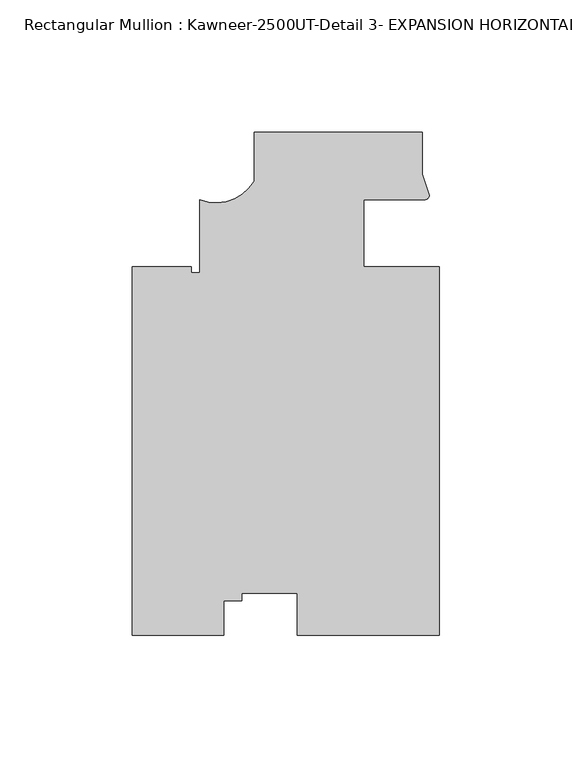
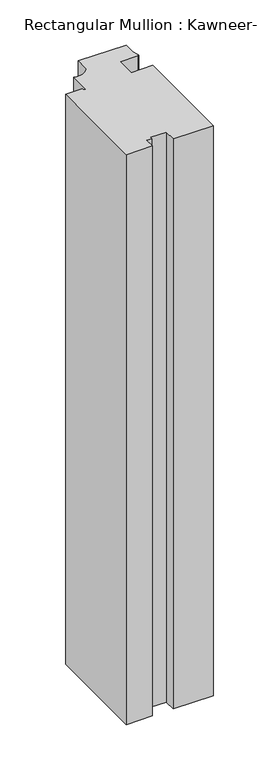
"""IFC4 building model written with IfcOpenShell, lengths in millimetres: member geometry, Rectangular Mullion : Kawneer-2500UT-Detail 3- EXPANSION HORIZONTAL-1 INCH INFILL."""

from ifc_helpers import new_model, si_unit, point, frame, frame_2d, origin, place, context, project, spatial, polyline, circle_curve, trimmed, segment, composite_curve, outline, extrude, source, transform, mapped, element, save


def rectangular_mullion_kawneer_2500ut_detail_3_expansion_b19485dd(model_context):
    return source(origin(), model_context, "Body", "SweptSolid", [
        extrude(outline(composite_curve([segment(polyline([(26.807523, -25.4123588), (26.807523, -164.6039062), (-26.807523, -164.6039063), (-26.807523, -148.7055018), (-47.7541759, -148.7055018), (-47.7541759, -151.560107), (-54.6121757, -151.560107), (-54.6121757, -164.6039062), (-89.1032866, -164.6039062), (-89.1032866, -25.4123588), (-66.8783331, -25.4119062), (-66.8782866, -27.6979062), (-63.7033859, -27.6979062), (-63.7033859, -0.0119118)]), True, "CONTINUOUS"), segment(trimmed(circle_curve(frame_2d((-57.4484596, 15.5211737)), 16.7451739), [point((-63.7033859, -0.0119118))], [point((-43.042477, 6.9848679))], True, "CARTESIAN"), True, "CONTINUOUS"), segment(polyline([(-43.042477, 6.9848679), (-43.042477, 25.3880937), (20.457523, 25.3880937), (20.457523, 9.5131914), (23.1083782, 1.576523)]), True, "CONTINUOUS"), segment(trimmed(circle_curve(frame_2d((21.4087603, 1.6895058)), 1.703369), [point((23.1083782, 1.576523))], [point((21.4916518, -0.0118452))], False, "CARTESIAN"), True, "CONTINUOUS"), segment(trimmed(circle_curve(frame_2d((16.1567712, -461.0197259)), 461.0387479), [point((21.4916518, -0.0118452))], [point((-1.767477, -0.329539))], True, "CARTESIAN"), True, "CONTINUOUS"), segment(polyline([(-1.767477, -0.329539), (-1.767477, -25.411777), (26.807523, -25.4123588)]), True, "CONTINUOUS")], self_intersect=False)), frame((0.0, 0.0, -799.8831251), z_axis=(0.0, 0.0, 1.0), x_axis=(1.0, 0.0, 0.0)), (0.0, 0.0, 1.0), 799.8831251),
    ])


if __name__ == "__main__":
    model = new_model("IFC4")
    model_context = context("Model", 3, world=origin())
    ifc_project = project(units=[si_unit("LENGTHUNIT", "METRE", prefix="MILLI")], contexts=[model_context])
    site = spatial("IfcSite", under=ifc_project)
    building = spatial("IfcBuilding", under=site)
    placement = place(None, origin())
    rectangular_mullion_kawneer_2500ut_detail_3_expansion_shape = rectangular_mullion_kawneer_2500ut_detail_3_expansion_b19485dd(model_context)
    element("IfcMember", 1, ObjectType="Rectangular Mullion : Kawneer-2500UT-Detail 3- EXPANSION HORIZONTAL-1 INCH INFILL", at=placement, inside=building, context=model_context, shape_type="MappedRepresentation", body=[
        mapped(rectangular_mullion_kawneer_2500ut_detail_3_expansion_shape, transform((0.0, 0.0, 0.0), x_axis=(1.0, 0.0, 0.0), y_axis=(0.0, 1.0, 0.0), z_axis=(0.0, 0.0, 1.0))),
    ])
    save(model, "model.ifc")
